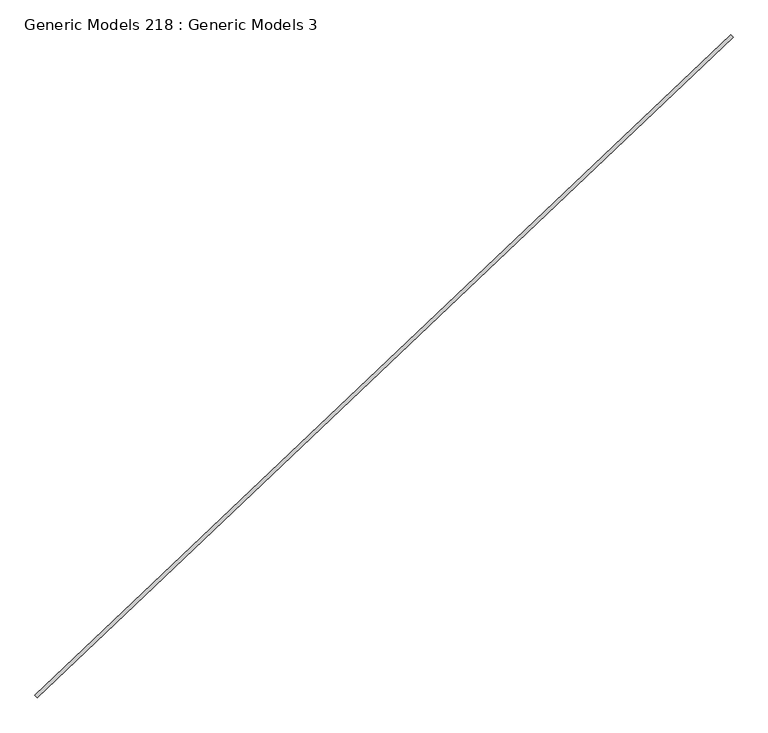
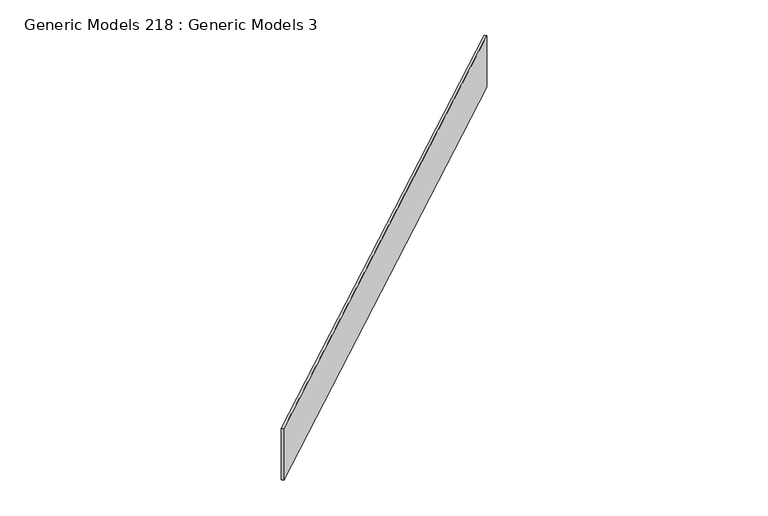
"""IFC4 building model written with IfcOpenShell, lengths in millimetres: proxy geometry, Generic Models 218 : Generic Models 3."""

from ifc_helpers import new_model, si_unit, frame, origin, place, context, project, spatial, polyline, outline, extrude, source, transform, mapped, element, save


def generic_models_218_generic_models_3_2a812fcc(model_context):
    return source(origin(), model_context, "Body", "SweptSolid", [
        extrude(outline(polyline([(105117.4000819, 58238.8537323), (105128.3277108, 58227.3384142), (101841.8559137, 55108.5931292), (101830.9282848, 55120.1084474), (105117.4000819, 58238.8537323)])), frame((0.0, 0.0, 16697.84257), z_axis=(0.0, 0.0, 1.0), x_axis=(1.0, 0.0, 0.0)), (0.0, 0.0, 1.0), 396.35743),
    ])


if __name__ == "__main__":
    model = new_model("IFC4")
    model_context = context("Model", 3, world=origin())
    ifc_project = project(units=[si_unit("LENGTHUNIT", "METRE", prefix="MILLI")], contexts=[model_context])
    site = spatial("IfcSite", under=ifc_project)
    building = spatial("IfcBuilding", under=site)
    placement = place(None, origin())
    generic_models_218_generic_models_3_shape = generic_models_218_generic_models_3_2a812fcc(model_context)
    element("IfcBuildingElementProxy", 1, Name="Generic Models 218 : Generic Models 3", ObjectType="Generic Models 218 : Generic Models 3", at=placement, inside=building, context=model_context, shape_type="MappedRepresentation", body=[
        mapped(generic_models_218_generic_models_3_shape, transform((0.0, 0.0, 0.0), x_axis=(1.0, 0.0, 0.0), y_axis=(0.0, 1.0, 0.0), z_axis=(0.0, 0.0, 1.0))),
    ])
    save(model, "model.ifc")
